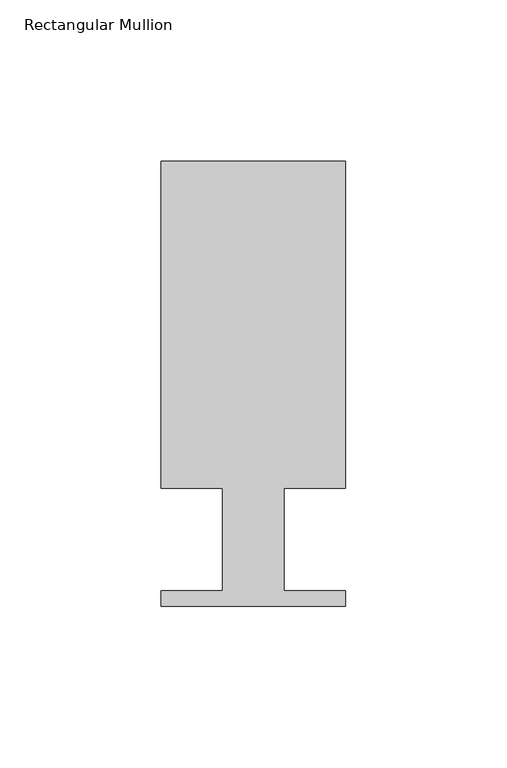
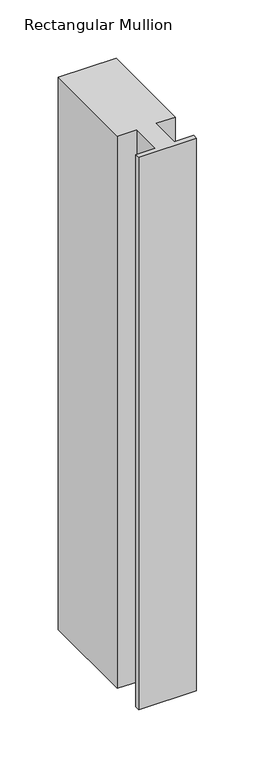
"""IFC4 building model written with IfcOpenShell, lengths in millimetres: member geometry, Rectangular Mullion."""

from ifc_helpers import new_model, si_unit, frame, origin, place, context, project, spatial, polyline, outline, extrude, source, transform, mapped, element, save


def rectangular_mullion_c51f1c3a(model_context):
    return source(origin(), model_context, "Body", "SweptSolid", [
        extrude(outline(polyline([(0.0, 138.3268125), (0.0, 37.1078125), (-19.05, 37.1078125), (-19.05, 5.3578125), (0.0, 5.3578125), (0.0, 0.5318125), (-57.15, 0.5318125), (-57.15, 5.3578125), (-38.1, 5.3578125), (-38.1, 37.1078125), (-57.15, 37.1078125), (-57.15, 138.3268125), (0.0, 138.3268125)])), frame((0.0, 0.0, -577.85), z_axis=(0.0, 0.0, 1.0), x_axis=(1.0, 0.0, 0.0)), (0.0, 0.0, 1.0), 577.85),
    ])


if __name__ == "__main__":
    model = new_model("IFC4")
    model_context = context("Model", 3, world=origin())
    ifc_project = project(units=[si_unit("LENGTHUNIT", "METRE", prefix="MILLI")], contexts=[model_context])
    site = spatial("IfcSite", under=ifc_project)
    building = spatial("IfcBuilding", under=site)
    placement = place(None, origin())
    rectangular_mullion_shape = rectangular_mullion_c51f1c3a(model_context)
    element("IfcMember", 1, ObjectType="Rectangular Mullion", at=placement, inside=building, context=model_context, shape_type="MappedRepresentation", body=[
        mapped(rectangular_mullion_shape, transform((0.0, 0.0, 0.0), x_axis=(1.0, 0.0, 0.0), y_axis=(0.0, 1.0, 0.0), z_axis=(0.0, 0.0, 1.0))),
    ])
    save(model, "model.ifc")
